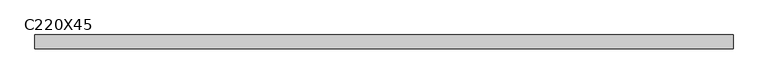
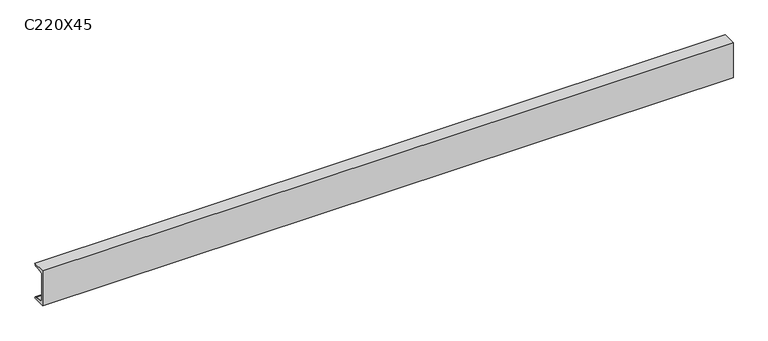
"""IFC4 building model written with IfcOpenShell, lengths in millimetres: beam geometry, C220X45."""

from ifc_helpers import new_model, si_unit, point, frame, frame_2d, origin, place, context, project, spatial, polyline, circle_curve, trimmed, segment, composite_curve, outline, extrude, source, transform, mapped, element, save


def c220x45_48523feb(model_context):
    return source(origin(), model_context, "Body", "SweptSolid", [
        extrude(outline(composite_curve([segment(polyline([(-17.0, 110.0), (64.0, 110.0)]), True, "CONTINUOUS"), segment(trimmed(circle_curve(frame_2d((51.0, 110.0)), 13.0), [point((64.0, 110.0))], [point((51.0, 97.0))], False, "CARTESIAN"), True, "CONTINUOUS"), segment(polyline([(51.0, 97.0), (-4.0, 88.2888558), (-4.0, -88.2888558), (51.0, -97.0)]), True, "CONTINUOUS"), segment(trimmed(circle_curve(frame_2d((51.0, -110.0)), 13.0), [point((51.0, -97.0))], [point((64.0, -110.0))], False, "CARTESIAN"), True, "CONTINUOUS"), segment(polyline([(64.0, -110.0), (-17.0, -110.0), (-17.0, 110.0)]), True, "CONTINUOUS")], self_intersect=False)), frame((-2055.5, 0.0, 0.0), z_axis=(1.0, 0.0, 0.0), x_axis=(0.0, 1.0, 0.0)), (0.0, 0.0, 1.0), 4111.0),
    ])


if __name__ == "__main__":
    model = new_model("IFC4")
    model_context = context("Model", 3, world=origin())
    ifc_project = project(units=[si_unit("LENGTHUNIT", "METRE", prefix="MILLI")], contexts=[model_context])
    site = spatial("IfcSite", under=ifc_project)
    building = spatial("IfcBuilding", under=site)
    placement = place(None, origin())
    c220x45_shape = c220x45_48523feb(model_context)
    element("IfcBeam", 1, ObjectType="C220X45", at=placement, inside=building, context=model_context, shape_type="MappedRepresentation", body=[
        mapped(c220x45_shape, transform((0.0, 0.0, 0.0), x_axis=(1.0, 0.0, 0.0), y_axis=(0.0, 1.0, 0.0), z_axis=(0.0, 0.0, 1.0))),
    ])
    save(model, "model.ifc")
